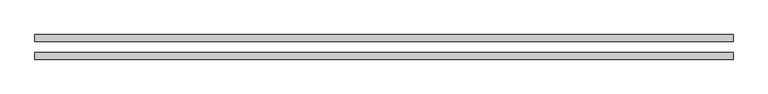
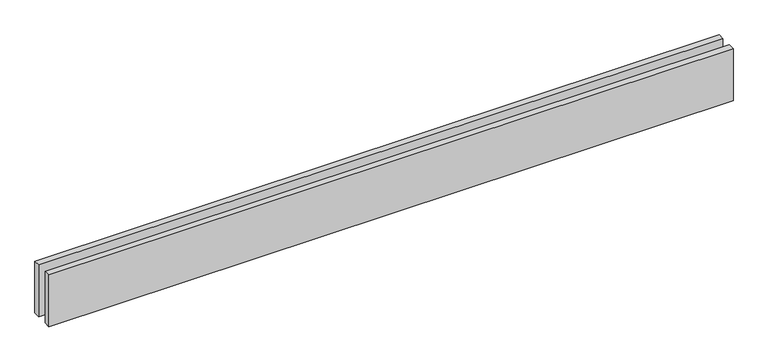
"""IFC4 building model written with IfcOpenShell, lengths in millimetres: proxy geometry."""

from ifc_helpers import new_model, si_unit, origin, origin_with_axes, place, context, project, spatial, polyline, outline, extrude, source, transform, mapped, element, save


def generic_models_ac17a928(model_context):
    return source(origin(), model_context, "Body", "SweptSolid", [
        extrude(outline(polyline([(3120.0, -25.0), (3120.0, -55.0), (0.0, -55.0), (0.0, -25.0), (3120.0, -25.0)])), origin_with_axes(), (0.0, 0.0, 1.0), 250.0),
        extrude(outline(polyline([(3120.0, 55.0), (3120.0, 25.0), (0.0, 25.0), (0.0, 55.0), (3120.0, 55.0)])), origin_with_axes(), (0.0, 0.0, 1.0), 250.0),
    ])


if __name__ == "__main__":
    model = new_model("IFC4")
    model_context = context("Model", 3, world=origin())
    ifc_project = project(units=[si_unit("LENGTHUNIT", "METRE", prefix="MILLI")], contexts=[model_context])
    site = spatial("IfcSite", under=ifc_project)
    building = spatial("IfcBuilding", under=site)
    placement = place(None, origin())
    generic_models_shape = generic_models_ac17a928(model_context)
    element("IfcBuildingElementProxy", 1, Name="Generic Models", at=placement, inside=building, context=model_context, shape_type="MappedRepresentation", body=[
        mapped(generic_models_shape, transform((0.0, 0.0, 0.0), x_axis=(1.0, 0.0, 0.0), y_axis=(0.0, 1.0, 0.0), z_axis=(0.0, 0.0, 1.0))),
    ])
    save(model, "model.ifc")
